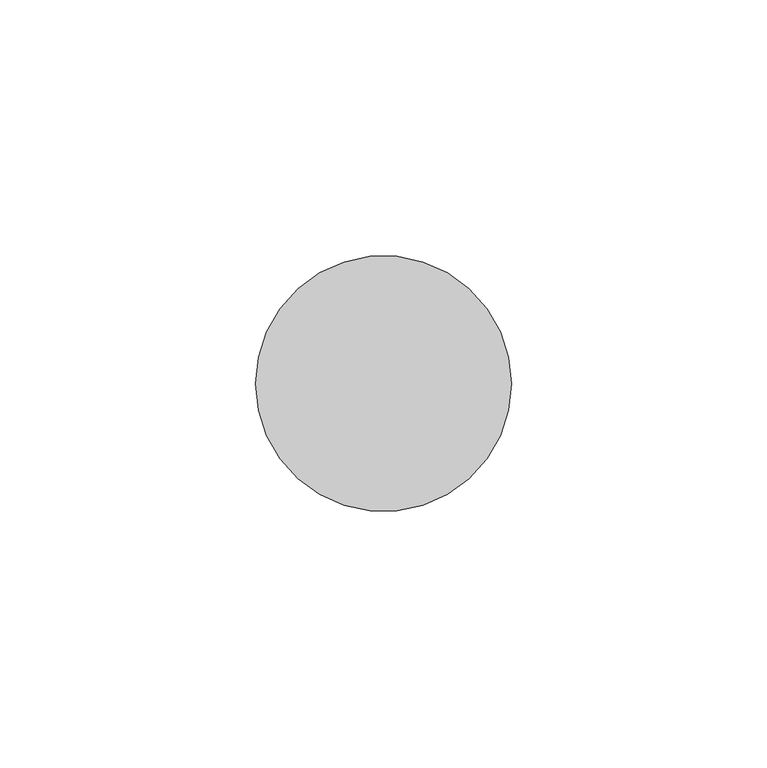
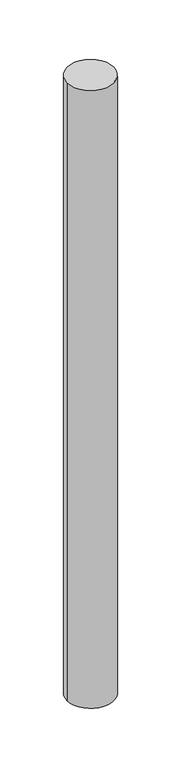
"""IFC4 building model written with IfcOpenShell, lengths in millimetres: member geometry."""

from ifc_helpers import new_model, si_unit, point, frame, origin, origin_2d, place, context, project, spatial, circle_curve, trimmed, segment, composite_curve, outline, extrude, source, transform, mapped, element, save


def member_da27cbbb(model_context):
    return source(origin(), model_context, "Body", "SweptSolid", [
        extrude(outline(composite_curve([segment(trimmed(circle_curve(origin_2d(), 25.0), [point((25.0, 0.0))], [point((-25.0, 0.0))], False, "CARTESIAN"), True, "CONTINUOUS"), segment(trimmed(circle_curve(origin_2d(), 25.0), [point((-25.0, 0.0))], [point((25.0, 0.0))], False, "CARTESIAN"), True, "CONTINUOUS")], self_intersect=False)), frame((0.0, 0.0, -700.0), z_axis=(0.0, 0.0, 1.0), x_axis=(1.0, 0.0, 0.0)), (0.0, 0.0, 1.0), 700.0),
    ])


if __name__ == "__main__":
    model = new_model("IFC4")
    model_context = context("Model", 3, world=origin())
    ifc_project = project(units=[si_unit("LENGTHUNIT", "METRE", prefix="MILLI")], contexts=[model_context])
    site = spatial("IfcSite", under=ifc_project)
    building = spatial("IfcBuilding", under=site)
    placement = place(None, origin())
    member_shape = member_da27cbbb(model_context)
    element("IfcMember", 1, at=placement, inside=building, context=model_context, shape_type="MappedRepresentation", body=[
        mapped(member_shape, transform((0.0, 0.0, 0.0), x_axis=(1.0, 0.0, 0.0), y_axis=(0.0, 1.0, 0.0), z_axis=(0.0, 0.0, 1.0))),
    ])
    save(model, "model.ifc")
